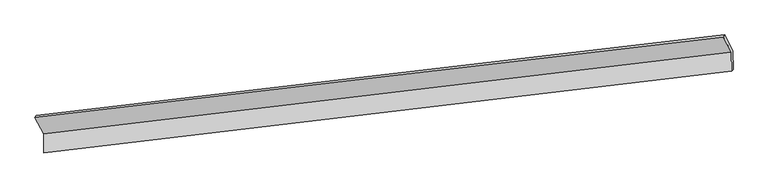
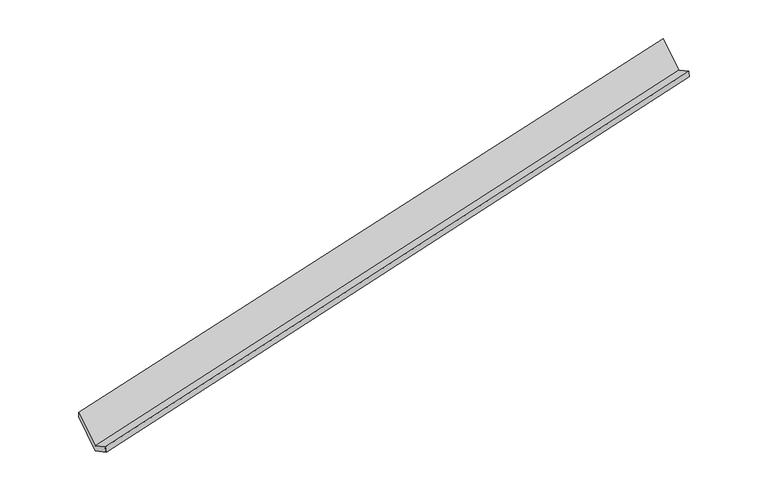
"""IFC4 building model written with IfcOpenShell, lengths in millimetres: proxy geometry."""

from ifc_helpers import new_model, si_unit, frame, origin, place, context, project, spatial, source, transform, mapped, element, save
from ifc_brep_helpers import plane_surface, spline_surface, advanced_brep


def generic_models_06791954(model_context):
    return source(origin(), model_context, "Body", "AdvancedBrep", [
        advanced_brep(
        [(-9756.6276915, -2326.5281207, 259.4541755), (-9753.1502794, -2709.1235261, 456.4170226), (4120.8363152, -1057.1612981, 3398.5163878), (4117.358903, -674.5658927, 3201.5535406), (-9723.6380058, -2692.6903067, 309.0675803), (4150.2273772, -1027.3920266, 3244.3014506), (-9727.2853096, -2291.4029176, 102.4819664), (4146.701285, -639.4406897, 3044.5813316), (-9906.4989953, -1956.9827096, 755.2489056), (3978.1688902, -324.9522158, 3658.4427957), (-9931.4957683, -2000.2170003, 896.3926924), (3953.1721172, -368.1865064, 3799.5865824)],
        [
            (0, 1),
            (1, 2),
            (2, 3),
            (3, 0),
            (1, 4),
            (4, 5),
            (5, 2),
            (4, 6),
            (6, 7),
            (7, 5),
            (6, 8),
            (8, 9),
            (9, 7),
            (8, 10),
            (10, 11),
            (11, 9),
            (10, 0),
            (3, 11),
        ],
        [
            plane_surface(frame((-9754.8889855, -2517.8258234, 357.9355991), z_axis=(-0.23614959359165494, 0.44307137720337997, 0.8648243313815799), x_axis=(0.008080764411779103, -0.8890701447133961, 0.4576996602858937))),
            spline_surface(1, 1, [[(-9753.1502794, -2709.1235261, 456.4170226), (4120.8363152, -1057.1612981, 3398.5163878)], [(-9723.6380058, -2692.6903067, 309.0675803), (4150.2273772, -1027.3920266, 3244.3014506)]], [2, 2], [2, 2], [0.0, 1.0], [0.0, 1.0]),
            plane_surface(frame((-9725.4616577, -2492.0466122, 205.7747734), z_axis=(0.23614959359165621, -0.44307137720349093, -0.8648243313815227), x_axis=(-0.008080764411950169, 0.8890701447133169, -0.45769966028604425))),
            plane_surface(frame((-9816.8921524, -2124.1928136, 428.865436), z_axis=(-0.00876108309880809, 0.8889889462777041, -0.45784483924031866), x_axis=(-0.23736202108816326, 0.4429274256181724, 0.8645661146379731))),
            plane_surface(frame((-9918.9973818, -1978.5998549, 825.820799), z_axis=(-0.16646926760606956, 0.9506779769591764, 0.2617238374078804), x_axis=(-0.16695854606563662, -0.2887706473896808, 0.9427281459157743))),
            plane_surface(frame((-9844.0617299, -2163.3725605, 577.9234339), z_axis=(0.008761083098828781, -0.8889889462777446, 0.45784483924023966), x_axis=(0.23736202108816756, -0.4429274256180908, -0.8645661146380137))),
            plane_surface(frame((4077.744148, -681.9497715, 3391.1636815), z_axis=(0.9713876528922208, 0.1156268715078445, 0.20745229426027237), x_axis=(-0.16695854606563662, -0.2887706473896808, 0.9427281459157743))),
            plane_surface(frame((-9799.782675, -2329.4907635, 463.1770571), z_axis=(-0.9713876528922196, -0.11562687150783522, -0.20745229426028347), x_axis=(-0.2373620210881732, 0.4429274256180939, 0.8645661146380105))),
        ],
        [
            (0, [[1, 2, 3, 4]]),
            (1, [[5, 6, 7, -2]]),
            (2, [[8, 9, 10, -6]]),
            (3, [[11, 12, 13, -9]]),
            (4, [[14, 15, 16, -12]]),
            (5, [[17, -4, 18, -15]]),
            (6, [[-16, -18, -3, -7, -10, -13]]),
            (7, [[-17, -14, -11, -8, -5, -1]]),
        ],
    ),
    ])


if __name__ == "__main__":
    model = new_model("IFC4")
    model_context = context("Model", 3, world=origin())
    ifc_project = project(units=[si_unit("LENGTHUNIT", "METRE", prefix="MILLI")], contexts=[model_context])
    site = spatial("IfcSite", under=ifc_project)
    building = spatial("IfcBuilding", under=site)
    placement = place(None, origin())
    generic_models_shape = generic_models_06791954(model_context)
    element("IfcBuildingElementProxy", 1, Name="Generic Models", at=placement, inside=building, context=model_context, shape_type="MappedRepresentation", body=[
        mapped(generic_models_shape, transform((0.0, 0.0, 0.0), x_axis=(1.0, 0.0, 0.0), y_axis=(0.0, 1.0, 0.0), z_axis=(0.0, 0.0, 1.0))),
    ])
    save(model, "model.ifc")
